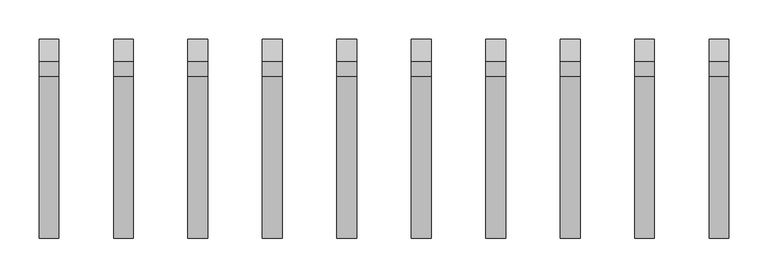
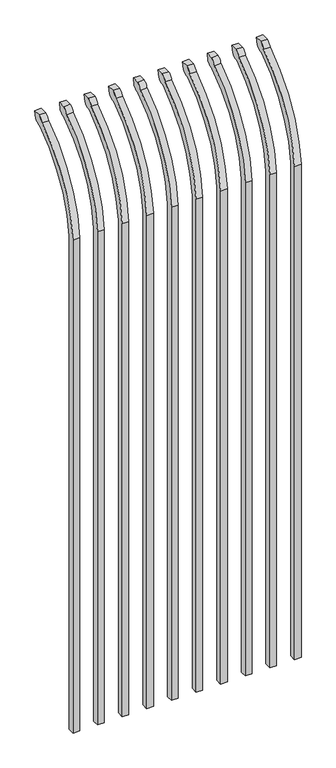
"""IFC4 building model written with IfcOpenShell, lengths in millimetres: railing geometry."""

from ifc_helpers import new_model, si_unit, point, frame, origin, place, context, project, spatial, polyline, circle_curve, ellipse_curve, trimmed, source, transform, mapped, element, save
from ifc_brep_helpers import plane_surface, cylinder_surface, revolved_surface, extruded_surface, advanced_brep


def railing_fbece020(model_context):
    return source(origin(), model_context, "Body", "AdvancedBrep", [
        advanced_brep(
        [(26128.4350064, 11905.619541, 50.8), (26128.4350064, 11905.619541, 2063.9226889), (26128.4350064, 12102.7326851, 2396.1022378), (26128.4350064, 12129.2407099, 2410.7867549), (26128.4350064, 12135.1100864, 2438.4), (26128.4350064, 12106.8799449, 2438.4), (26128.4350064, 12087.4931591, 2417.4682561), (26128.4350064, 11880.219541, 2063.9226889), (26128.4350064, 11880.219541, 50.8), (26103.0350064, 11905.619541, 50.8), (26103.0350064, 11905.619541, 2063.9226889), (26103.0350064, 11880.219541, 2063.9226889), (26103.0350064, 11880.219541, 50.8), (26103.0350064, 12087.4931591, 2417.4682561), (26103.0350064, 12106.8799449, 2438.4), (26103.0350064, 12135.1100864, 2438.4), (26103.0350064, 12129.2407099, 2410.7867549), (26103.0350064, 12102.7326851, 2396.1022378)],
        [
            (0, 1),
            (1, 2, circle_curve(frame((26128.4350064, 12342.9874207, 2028.9640776), z_axis=(-1.0, 0.0, 0.0), x_axis=(0.0, 1.0, 0.0)), 438.7627681)),
            (2, 3, ellipse_curve(frame((26128.4350064, 12110.5579376, 2418.5180619), z_axis=(1.0, 0.0, 0.0), x_axis=(0.0, -0.7771459614569752, -0.6293203910498321)), 26.7460194, 19.05)),
            (3, 4),
            (4, 5),
            (5, 6, ellipse_curve(frame((26128.4350064, 12110.5579376, 2418.5180619), z_axis=(1.0, 0.0, 0.0), x_axis=(0.0, -0.7771459614569761, -0.6293203910498311)), 26.7460194, 19.05)),
            (6, 7, circle_curve(frame((26128.4350064, 12342.0333244, 2030.7065933), z_axis=(1.0, 0.0, 0.0), x_axis=(0.0, 1.0, 0.0)), 463.0067812)),
            (7, 8),
            (8, 0),
            (0, 9),
            (9, 10),
            (10, 1),
            (7, 11),
            (11, 12),
            (12, 8),
            (12, 9),
            (11, 13, circle_curve(frame((26103.0350064, 12342.0333244, 2030.7065933), z_axis=(-1.0, 0.0, 0.0), x_axis=(0.0, 1.0, 0.0)), 463.0067812)),
            (13, 14, ellipse_curve(frame((26103.0350064, 12110.5579376, 2418.5180619), z_axis=(-1.0, 0.0, 0.0), x_axis=(0.0, -0.7771459614569761, -0.6293203910498311)), 26.7460194, 19.05)),
            (14, 15),
            (15, 16),
            (16, 17, ellipse_curve(frame((26103.0350064, 12110.5579376, 2418.5180619), z_axis=(-1.0, 0.0, 0.0), x_axis=(0.0, -0.7771459614569752, -0.6293203910498321)), 26.7460194, 19.05)),
            (17, 10, circle_curve(frame((26103.0350064, 12342.9874207, 2028.9640776), z_axis=(1.0, 0.0, 0.0), x_axis=(0.0, 1.0, 0.0)), 438.7627681)),
            (17, 2),
            (16, 3),
            (15, 4),
            (14, 5),
            (13, 6),
        ],
        [
            plane_surface(frame((26128.4350064, 11905.619541, 50.8), z_axis=(1.0, 0.0, 0.0), x_axis=(0.0, 0.0, 1.0))),
            plane_surface(frame((26128.4350064, 11905.619541, 50.8), z_axis=(0.0, 1.0, 0.0), x_axis=(-1.0, 0.0, 0.0))),
            plane_surface(frame((26128.4350064, 11880.219541, 2063.9226889), z_axis=(0.0, -1.0, 0.0), x_axis=(-1.0, 0.0, 0.0))),
            plane_surface(frame((26128.4350064, 11880.219541, 50.8), z_axis=(0.0, 0.0, -1.0), x_axis=(-1.0, 0.0, 0.0))),
            plane_surface(frame((26103.0350064, 11905.619541, 50.8), z_axis=(-1.0, 0.0, 0.0), x_axis=(0.0, 0.0, -1.0))),
            revolved_surface(polyline([(26103.0350064, 12781.750188799999, 2028.9640776), (26128.4350064, 12781.750188799999, 2028.9640776)]), (26103.0350064, 12342.9874207, 2028.9640776), (-1.0, 0.0, 0.0)),
            extruded_surface(trimmed(ellipse_curve(frame((26077.6350064, 12110.5579376, 2418.5180619), z_axis=(1.0, 0.0, 0.0), x_axis=(0.0, -0.7771459614569752, -0.6293203910498321)), 26.7460194, 19.05), [point((26077.6350064, 12102.7326851, 2396.1022378))], [point((26077.6350064, 12129.2407099, 2410.7867549))], True, "CARTESIAN"), (25.400000000001455, 0.0, 0.0), 25.400000000001455),
            plane_surface(frame((26128.4350064, 12129.2407099, 2410.7867549), z_axis=(0.0, 0.9781476007338008, -0.20791169081778224), x_axis=(-1.0, 0.0, 0.0))),
            plane_surface(frame((26128.4350064, 12135.1100864, 2438.4), z_axis=(0.0, 0.0, 1.0), x_axis=(-1.0, 0.0, 0.0))),
            extruded_surface(trimmed(ellipse_curve(frame((26077.6350064, 12110.5579376, 2418.5180619), z_axis=(1.0, 0.0, 0.0), x_axis=(0.0, -0.7771459614569761, -0.6293203910498311)), 26.7460194, 19.05), [point((26077.6350064, 12106.8799449, 2438.4))], [point((26077.6350064, 12087.4931591, 2417.4682561))], True, "CARTESIAN"), (25.400000000001455, 0.0, 0.0), 25.400000000001455),
            cylinder_surface(frame((26103.0350064, 12342.0333244, 2030.7065933), z_axis=(1.0, 0.0, 0.0), x_axis=(0.0, 1.0, 0.0)), 463.0067812),
        ],
        [
            (0, [[1, 2, 3, 4, 5, 6, 7, 8, 9]]),
            (1, [[-1, 10, 11, 12]]),
            (2, [[-8, 13, 14, 15]]),
            (3, [[-9, -15, 16, -10]]),
            (4, [[-16, -14, 17, 18, 19, 20, 21, 22, -11]]),
            (5, [[-2, -12, -22, 23]]),
            (6, [[-3, -23, -21, 24]]),
            (7, [[-4, -24, -20, 25]]),
            (8, [[-5, -25, -19, 26]]),
            (9, [[-6, -26, -18, 27]]),
            (10, [[-7, -27, -17, -13]]),
        ],
    ),
        advanced_brep(
        [(26033.1850064, 11905.619541, 50.8), (26033.1850064, 11905.619541, 2063.9226889), (26033.1850064, 12102.7326851, 2396.1022378), (26033.1850064, 12129.2407099, 2410.7867549), (26033.1850064, 12135.1100864, 2438.4), (26033.1850064, 12106.8799449, 2438.4), (26033.1850064, 12087.4931591, 2417.4682561), (26033.1850064, 11880.219541, 2063.9226889), (26033.1850064, 11880.219541, 50.8), (26007.7850064, 11905.619541, 50.8), (26007.7850064, 11905.619541, 2063.9226889), (26007.7850064, 11880.219541, 2063.9226889), (26007.7850064, 11880.219541, 50.8), (26007.7850064, 12087.4931591, 2417.4682561), (26007.7850064, 12106.8799449, 2438.4), (26007.7850064, 12135.1100864, 2438.4), (26007.7850064, 12129.2407099, 2410.7867549), (26007.7850064, 12102.7326851, 2396.1022378)],
        [
            (0, 1),
            (1, 2, circle_curve(frame((26033.1850064, 12342.9874207, 2028.9640776), z_axis=(-1.0, 0.0, 0.0), x_axis=(0.0, 1.0, 0.0)), 438.7627681)),
            (2, 3, ellipse_curve(frame((26033.1850064, 12110.5579376, 2418.5180619), z_axis=(1.0, 0.0, 0.0), x_axis=(0.0, -0.7771459614569752, -0.6293203910498321)), 26.7460194, 19.05)),
            (3, 4),
            (4, 5),
            (5, 6, ellipse_curve(frame((26033.1850064, 12110.5579376, 2418.5180619), z_axis=(1.0, 0.0, 0.0), x_axis=(0.0, -0.7771459614569761, -0.6293203910498311)), 26.7460194, 19.05)),
            (6, 7, circle_curve(frame((26033.1850064, 12342.0333244, 2030.7065933), z_axis=(1.0, 0.0, 0.0), x_axis=(0.0, 1.0, 0.0)), 463.0067812)),
            (7, 8),
            (8, 0),
            (0, 9),
            (9, 10),
            (10, 1),
            (7, 11),
            (11, 12),
            (12, 8),
            (12, 9),
            (11, 13, circle_curve(frame((26007.7850064, 12342.0333244, 2030.7065933), z_axis=(-1.0, 0.0, 0.0), x_axis=(0.0, 1.0, 0.0)), 463.0067812)),
            (13, 14, ellipse_curve(frame((26007.7850064, 12110.5579376, 2418.5180619), z_axis=(-1.0, 0.0, 0.0), x_axis=(0.0, -0.7771459614569761, -0.6293203910498311)), 26.7460194, 19.05)),
            (14, 15),
            (15, 16),
            (16, 17, ellipse_curve(frame((26007.7850064, 12110.5579376, 2418.5180619), z_axis=(-1.0, 0.0, 0.0), x_axis=(0.0, -0.7771459614569752, -0.6293203910498321)), 26.7460194, 19.05)),
            (17, 10, circle_curve(frame((26007.7850064, 12342.9874207, 2028.9640776), z_axis=(1.0, 0.0, 0.0), x_axis=(0.0, 1.0, 0.0)), 438.7627681)),
            (17, 2),
            (16, 3),
            (15, 4),
            (14, 5),
            (13, 6),
        ],
        [
            plane_surface(frame((26033.1850064, 11905.619541, 50.8), z_axis=(1.0, 0.0, 0.0), x_axis=(0.0, 0.0, 1.0))),
            plane_surface(frame((26033.1850064, 11905.619541, 50.8), z_axis=(0.0, 1.0, 0.0), x_axis=(-1.0, 0.0, 0.0))),
            plane_surface(frame((26033.1850064, 11880.219541, 2063.9226889), z_axis=(0.0, -1.0, 0.0), x_axis=(-1.0, 0.0, 0.0))),
            plane_surface(frame((26033.1850064, 11880.219541, 50.8), z_axis=(0.0, 0.0, -1.0), x_axis=(-1.0, 0.0, 0.0))),
            plane_surface(frame((26007.7850064, 11905.619541, 50.8), z_axis=(-1.0, 0.0, 0.0), x_axis=(0.0, 0.0, -1.0))),
            revolved_surface(polyline([(26007.7850064, 12781.750188799999, 2028.9640776), (26033.1850064, 12781.750188799999, 2028.9640776)]), (26007.7850064, 12342.9874207, 2028.9640776), (-1.0, 0.0, 0.0)),
            extruded_surface(trimmed(ellipse_curve(frame((25982.3850064, 12110.5579376, 2418.5180619), z_axis=(1.0, 0.0, 0.0), x_axis=(0.0, -0.7771459614569752, -0.6293203910498321)), 26.7460194, 19.05), [point((25982.3850064, 12102.7326851, 2396.1022378))], [point((25982.3850064, 12129.2407099, 2410.7867549))], True, "CARTESIAN"), (25.400000000001455, 0.0, 0.0), 25.400000000001455),
            plane_surface(frame((26033.1850064, 12129.2407099, 2410.7867549), z_axis=(0.0, 0.9781476007338008, -0.20791169081778224), x_axis=(-1.0, 0.0, 0.0))),
            plane_surface(frame((26033.1850064, 12135.1100864, 2438.4), z_axis=(0.0, 0.0, 1.0), x_axis=(-1.0, 0.0, 0.0))),
            extruded_surface(trimmed(ellipse_curve(frame((25982.3850064, 12110.5579376, 2418.5180619), z_axis=(1.0, 0.0, 0.0), x_axis=(0.0, -0.7771459614569761, -0.6293203910498311)), 26.7460194, 19.05), [point((25982.3850064, 12106.8799449, 2438.4))], [point((25982.3850064, 12087.4931591, 2417.4682561))], True, "CARTESIAN"), (25.400000000001455, 0.0, 0.0), 25.400000000001455),
            cylinder_surface(frame((26007.7850064, 12342.0333244, 2030.7065933), z_axis=(1.0, 0.0, 0.0), x_axis=(0.0, 1.0, 0.0)), 463.0067812),
        ],
        [
            (0, [[1, 2, 3, 4, 5, 6, 7, 8, 9]]),
            (1, [[-1, 10, 11, 12]]),
            (2, [[-8, 13, 14, 15]]),
            (3, [[-9, -15, 16, -10]]),
            (4, [[-16, -14, 17, 18, 19, 20, 21, 22, -11]]),
            (5, [[-2, -12, -22, 23]]),
            (6, [[-3, -23, -21, 24]]),
            (7, [[-4, -24, -20, 25]]),
            (8, [[-5, -25, -19, 26]]),
            (9, [[-6, -26, -18, 27]]),
            (10, [[-7, -27, -17, -13]]),
        ],
    ),
        advanced_brep(
        [(25937.9350064, 11905.619541, 50.8), (25937.9350064, 11905.619541, 2063.9226889), (25937.9350064, 12102.7326851, 2396.1022378), (25937.9350064, 12129.2407099, 2410.7867549), (25937.9350064, 12135.1100864, 2438.4), (25937.9350064, 12106.8799449, 2438.4), (25937.9350064, 12087.4931591, 2417.4682561), (25937.9350064, 11880.219541, 2063.9226889), (25937.9350064, 11880.219541, 50.8), (25912.5350064, 11905.619541, 50.8), (25912.5350064, 11905.619541, 2063.9226889), (25912.5350064, 11880.219541, 2063.9226889), (25912.5350064, 11880.219541, 50.8), (25912.5350064, 12087.4931591, 2417.4682561), (25912.5350064, 12106.8799449, 2438.4), (25912.5350064, 12135.1100864, 2438.4), (25912.5350064, 12129.2407099, 2410.7867549), (25912.5350064, 12102.7326851, 2396.1022378)],
        [
            (0, 1),
            (1, 2, circle_curve(frame((25937.9350064, 12342.9874207, 2028.9640776), z_axis=(-1.0, 0.0, 0.0), x_axis=(0.0, 1.0, 0.0)), 438.7627681)),
            (2, 3, ellipse_curve(frame((25937.9350064, 12110.5579376, 2418.5180619), z_axis=(1.0, 0.0, 0.0), x_axis=(0.0, -0.7771459614569752, -0.6293203910498321)), 26.7460194, 19.05)),
            (3, 4),
            (4, 5),
            (5, 6, ellipse_curve(frame((25937.9350064, 12110.5579376, 2418.5180619), z_axis=(1.0, 0.0, 0.0), x_axis=(0.0, -0.7771459614569761, -0.6293203910498311)), 26.7460194, 19.05)),
            (6, 7, circle_curve(frame((25937.9350064, 12342.0333244, 2030.7065933), z_axis=(1.0, 0.0, 0.0), x_axis=(0.0, 1.0, 0.0)), 463.0067812)),
            (7, 8),
            (8, 0),
            (0, 9),
            (9, 10),
            (10, 1),
            (7, 11),
            (11, 12),
            (12, 8),
            (12, 9),
            (11, 13, circle_curve(frame((25912.5350064, 12342.0333244, 2030.7065933), z_axis=(-1.0, 0.0, 0.0), x_axis=(0.0, 1.0, 0.0)), 463.0067812)),
            (13, 14, ellipse_curve(frame((25912.5350064, 12110.5579376, 2418.5180619), z_axis=(-1.0, 0.0, 0.0), x_axis=(0.0, -0.7771459614569761, -0.6293203910498311)), 26.7460194, 19.05)),
            (14, 15),
            (15, 16),
            (16, 17, ellipse_curve(frame((25912.5350064, 12110.5579376, 2418.5180619), z_axis=(-1.0, 0.0, 0.0), x_axis=(0.0, -0.7771459614569752, -0.6293203910498321)), 26.7460194, 19.05)),
            (17, 10, circle_curve(frame((25912.5350064, 12342.9874207, 2028.9640776), z_axis=(1.0, 0.0, 0.0), x_axis=(0.0, 1.0, 0.0)), 438.7627681)),
            (17, 2),
            (16, 3),
            (15, 4),
            (14, 5),
            (13, 6),
        ],
        [
            plane_surface(frame((25937.9350064, 11905.619541, 50.8), z_axis=(1.0, 0.0, 0.0), x_axis=(0.0, 0.0, 1.0))),
            plane_surface(frame((25937.9350064, 11905.619541, 50.8), z_axis=(0.0, 1.0, 0.0), x_axis=(-1.0, 0.0, 0.0))),
            plane_surface(frame((25937.9350064, 11880.219541, 2063.9226889), z_axis=(0.0, -1.0, 0.0), x_axis=(-1.0, 0.0, 0.0))),
            plane_surface(frame((25937.9350064, 11880.219541, 50.8), z_axis=(0.0, 0.0, -1.0), x_axis=(-1.0, 0.0, 0.0))),
            plane_surface(frame((25912.5350064, 11905.619541, 50.8), z_axis=(-1.0, 0.0, 0.0), x_axis=(0.0, 0.0, -1.0))),
            revolved_surface(polyline([(25912.5350064, 12781.750188799999, 2028.9640776), (25937.9350064, 12781.750188799999, 2028.9640776)]), (25912.5350064, 12342.9874207, 2028.9640776), (-1.0, 0.0, 0.0)),
            extruded_surface(trimmed(ellipse_curve(frame((25887.1350064, 12110.5579376, 2418.5180619), z_axis=(1.0, 0.0, 0.0), x_axis=(0.0, -0.7771459614569752, -0.6293203910498321)), 26.7460194, 19.05), [point((25887.1350064, 12102.7326851, 2396.1022378))], [point((25887.1350064, 12129.2407099, 2410.7867549))], True, "CARTESIAN"), (25.400000000001455, 0.0, 0.0), 25.400000000001455),
            plane_surface(frame((25937.9350064, 12129.2407099, 2410.7867549), z_axis=(0.0, 0.9781476007338008, -0.20791169081778224), x_axis=(-1.0, 0.0, 0.0))),
            plane_surface(frame((25937.9350064, 12135.1100864, 2438.4), z_axis=(0.0, 0.0, 1.0), x_axis=(-1.0, 0.0, 0.0))),
            extruded_surface(trimmed(ellipse_curve(frame((25887.1350064, 12110.5579376, 2418.5180619), z_axis=(1.0, 0.0, 0.0), x_axis=(0.0, -0.7771459614569761, -0.6293203910498311)), 26.7460194, 19.05), [point((25887.1350064, 12106.8799449, 2438.4))], [point((25887.1350064, 12087.4931591, 2417.4682561))], True, "CARTESIAN"), (25.400000000001455, 0.0, 0.0), 25.400000000001455),
            cylinder_surface(frame((25912.5350064, 12342.0333244, 2030.7065933), z_axis=(1.0, 0.0, 0.0), x_axis=(0.0, 1.0, 0.0)), 463.0067812),
        ],
        [
            (0, [[1, 2, 3, 4, 5, 6, 7, 8, 9]]),
            (1, [[-1, 10, 11, 12]]),
            (2, [[-8, 13, 14, 15]]),
            (3, [[-9, -15, 16, -10]]),
            (4, [[-16, -14, 17, 18, 19, 20, 21, 22, -11]]),
            (5, [[-2, -12, -22, 23]]),
            (6, [[-3, -23, -21, 24]]),
            (7, [[-4, -24, -20, 25]]),
            (8, [[-5, -25, -19, 26]]),
            (9, [[-6, -26, -18, 27]]),
            (10, [[-7, -27, -17, -13]]),
        ],
    ),
        advanced_brep(
        [(25842.6850064, 11905.619541, 50.8), (25842.6850064, 11905.619541, 2063.9226889), (25842.6850064, 12102.7326851, 2396.1022378), (25842.6850064, 12129.2407099, 2410.7867549), (25842.6850064, 12135.1100864, 2438.4), (25842.6850064, 12106.8799449, 2438.4), (25842.6850064, 12087.4931591, 2417.4682561), (25842.6850064, 11880.219541, 2063.9226889), (25842.6850064, 11880.219541, 50.8), (25817.2850064, 11905.619541, 50.8), (25817.2850064, 11905.619541, 2063.9226889), (25817.2850064, 11880.219541, 2063.9226889), (25817.2850064, 11880.219541, 50.8), (25817.2850064, 12087.4931591, 2417.4682561), (25817.2850064, 12106.8799449, 2438.4), (25817.2850064, 12135.1100864, 2438.4), (25817.2850064, 12129.2407099, 2410.7867549), (25817.2850064, 12102.7326851, 2396.1022378)],
        [
            (0, 1),
            (1, 2, circle_curve(frame((25842.6850064, 12342.9874207, 2028.9640776), z_axis=(-1.0, 0.0, 0.0), x_axis=(0.0, 1.0, 0.0)), 438.7627681)),
            (2, 3, ellipse_curve(frame((25842.6850064, 12110.5579376, 2418.5180619), z_axis=(1.0, 0.0, 0.0), x_axis=(0.0, -0.7771459614569752, -0.6293203910498321)), 26.7460194, 19.05)),
            (3, 4),
            (4, 5),
            (5, 6, ellipse_curve(frame((25842.6850064, 12110.5579376, 2418.5180619), z_axis=(1.0, 0.0, 0.0), x_axis=(0.0, -0.7771459614569761, -0.6293203910498311)), 26.7460194, 19.05)),
            (6, 7, circle_curve(frame((25842.6850064, 12342.0333244, 2030.7065933), z_axis=(1.0, 0.0, 0.0), x_axis=(0.0, 1.0, 0.0)), 463.0067812)),
            (7, 8),
            (8, 0),
            (0, 9),
            (9, 10),
            (10, 1),
            (7, 11),
            (11, 12),
            (12, 8),
            (12, 9),
            (11, 13, circle_curve(frame((25817.2850064, 12342.0333244, 2030.7065933), z_axis=(-1.0, 0.0, 0.0), x_axis=(0.0, 1.0, 0.0)), 463.0067812)),
            (13, 14, ellipse_curve(frame((25817.2850064, 12110.5579376, 2418.5180619), z_axis=(-1.0, 0.0, 0.0), x_axis=(0.0, -0.7771459614569761, -0.6293203910498311)), 26.7460194, 19.05)),
            (14, 15),
            (15, 16),
            (16, 17, ellipse_curve(frame((25817.2850064, 12110.5579376, 2418.5180619), z_axis=(-1.0, 0.0, 0.0), x_axis=(0.0, -0.7771459614569752, -0.6293203910498321)), 26.7460194, 19.05)),
            (17, 10, circle_curve(frame((25817.2850064, 12342.9874207, 2028.9640776), z_axis=(1.0, 0.0, 0.0), x_axis=(0.0, 1.0, 0.0)), 438.7627681)),
            (17, 2),
            (16, 3),
            (15, 4),
            (14, 5),
            (13, 6),
        ],
        [
            plane_surface(frame((25842.6850064, 11905.619541, 50.8), z_axis=(1.0, 0.0, 0.0), x_axis=(0.0, 0.0, 1.0))),
            plane_surface(frame((25842.6850064, 11905.619541, 50.8), z_axis=(0.0, 1.0, 0.0), x_axis=(-1.0, 0.0, 0.0))),
            plane_surface(frame((25842.6850064, 11880.219541, 2063.9226889), z_axis=(0.0, -1.0, 0.0), x_axis=(-1.0, 0.0, 0.0))),
            plane_surface(frame((25842.6850064, 11880.219541, 50.8), z_axis=(0.0, 0.0, -1.0), x_axis=(-1.0, 0.0, 0.0))),
            plane_surface(frame((25817.2850064, 11905.619541, 50.8), z_axis=(-1.0, 0.0, 0.0), x_axis=(0.0, 0.0, -1.0))),
            revolved_surface(polyline([(25817.2850064, 12781.750188799999, 2028.9640776), (25842.6850064, 12781.750188799999, 2028.9640776)]), (25817.2850064, 12342.9874207, 2028.9640776), (-1.0, 0.0, 0.0)),
            extruded_surface(trimmed(ellipse_curve(frame((25791.8850064, 12110.5579376, 2418.5180619), z_axis=(1.0, 0.0, 0.0), x_axis=(0.0, -0.7771459614569752, -0.6293203910498321)), 26.7460194, 19.05), [point((25791.8850064, 12102.7326851, 2396.1022378))], [point((25791.8850064, 12129.2407099, 2410.7867549))], True, "CARTESIAN"), (25.400000000001455, 0.0, 0.0), 25.400000000001455),
            plane_surface(frame((25842.6850064, 12129.2407099, 2410.7867549), z_axis=(0.0, 0.9781476007338008, -0.20791169081778224), x_axis=(-1.0, 0.0, 0.0))),
            plane_surface(frame((25842.6850064, 12135.1100864, 2438.4), z_axis=(0.0, 0.0, 1.0), x_axis=(-1.0, 0.0, 0.0))),
            extruded_surface(trimmed(ellipse_curve(frame((25791.8850064, 12110.5579376, 2418.5180619), z_axis=(1.0, 0.0, 0.0), x_axis=(0.0, -0.7771459614569761, -0.6293203910498311)), 26.7460194, 19.05), [point((25791.8850064, 12106.8799449, 2438.4))], [point((25791.8850064, 12087.4931591, 2417.4682561))], True, "CARTESIAN"), (25.400000000001455, 0.0, 0.0), 25.400000000001455),
            cylinder_surface(frame((25817.2850064, 12342.0333244, 2030.7065933), z_axis=(1.0, 0.0, 0.0), x_axis=(0.0, 1.0, 0.0)), 463.0067812),
        ],
        [
            (0, [[1, 2, 3, 4, 5, 6, 7, 8, 9]]),
            (1, [[-1, 10, 11, 12]]),
            (2, [[-8, 13, 14, 15]]),
            (3, [[-9, -15, 16, -10]]),
            (4, [[-16, -14, 17, 18, 19, 20, 21, 22, -11]]),
            (5, [[-2, -12, -22, 23]]),
            (6, [[-3, -23, -21, 24]]),
            (7, [[-4, -24, -20, 25]]),
            (8, [[-5, -25, -19, 26]]),
            (9, [[-6, -26, -18, 27]]),
            (10, [[-7, -27, -17, -13]]),
        ],
    ),
        advanced_brep(
        [(25747.4350064, 11905.619541, 50.8), (25747.4350064, 11905.619541, 2063.9226889), (25747.4350064, 12102.7326851, 2396.1022378), (25747.4350064, 12129.2407099, 2410.7867549), (25747.4350064, 12135.1100864, 2438.4), (25747.4350064, 12106.8799449, 2438.4), (25747.4350064, 12087.4931591, 2417.4682561), (25747.4350064, 11880.219541, 2063.9226889), (25747.4350064, 11880.219541, 50.8), (25722.0350064, 11905.619541, 50.8), (25722.0350064, 11905.619541, 2063.9226889), (25722.0350064, 11880.219541, 2063.9226889), (25722.0350064, 11880.219541, 50.8), (25722.0350064, 12087.4931591, 2417.4682561), (25722.0350064, 12106.8799449, 2438.4), (25722.0350064, 12135.1100864, 2438.4), (25722.0350064, 12129.2407099, 2410.7867549), (25722.0350064, 12102.7326851, 2396.1022378)],
        [
            (0, 1),
            (1, 2, circle_curve(frame((25747.4350064, 12342.9874207, 2028.9640776), z_axis=(-1.0, 0.0, 0.0), x_axis=(0.0, 1.0, 0.0)), 438.7627681)),
            (2, 3, ellipse_curve(frame((25747.4350064, 12110.5579376, 2418.5180619), z_axis=(1.0, 0.0, 0.0), x_axis=(0.0, -0.7771459614569752, -0.6293203910498321)), 26.7460194, 19.05)),
            (3, 4),
            (4, 5),
            (5, 6, ellipse_curve(frame((25747.4350064, 12110.5579376, 2418.5180619), z_axis=(1.0, 0.0, 0.0), x_axis=(0.0, -0.7771459614569761, -0.6293203910498311)), 26.7460194, 19.05)),
            (6, 7, circle_curve(frame((25747.4350064, 12342.0333244, 2030.7065933), z_axis=(1.0, 0.0, 0.0), x_axis=(0.0, 1.0, 0.0)), 463.0067812)),
            (7, 8),
            (8, 0),
            (0, 9),
            (9, 10),
            (10, 1),
            (7, 11),
            (11, 12),
            (12, 8),
            (12, 9),
            (11, 13, circle_curve(frame((25722.0350064, 12342.0333244, 2030.7065933), z_axis=(-1.0, 0.0, 0.0), x_axis=(0.0, 1.0, 0.0)), 463.0067812)),
            (13, 14, ellipse_curve(frame((25722.0350064, 12110.5579376, 2418.5180619), z_axis=(-1.0, 0.0, 0.0), x_axis=(0.0, -0.7771459614569761, -0.6293203910498311)), 26.7460194, 19.05)),
            (14, 15),
            (15, 16),
            (16, 17, ellipse_curve(frame((25722.0350064, 12110.5579376, 2418.5180619), z_axis=(-1.0, 0.0, 0.0), x_axis=(0.0, -0.7771459614569752, -0.6293203910498321)), 26.7460194, 19.05)),
            (17, 10, circle_curve(frame((25722.0350064, 12342.9874207, 2028.9640776), z_axis=(1.0, 0.0, 0.0), x_axis=(0.0, 1.0, 0.0)), 438.7627681)),
            (17, 2),
            (16, 3),
            (15, 4),
            (14, 5),
            (13, 6),
        ],
        [
            plane_surface(frame((25747.4350064, 11905.619541, 50.8), z_axis=(1.0, 0.0, 0.0), x_axis=(0.0, 0.0, 1.0))),
            plane_surface(frame((25747.4350064, 11905.619541, 50.8), z_axis=(0.0, 1.0, 0.0), x_axis=(-1.0, 0.0, 0.0))),
            plane_surface(frame((25747.4350064, 11880.219541, 2063.9226889), z_axis=(0.0, -1.0, 0.0), x_axis=(-1.0, 0.0, 0.0))),
            plane_surface(frame((25747.4350064, 11880.219541, 50.8), z_axis=(0.0, 0.0, -1.0), x_axis=(-1.0, 0.0, 0.0))),
            plane_surface(frame((25722.0350064, 11905.619541, 50.8), z_axis=(-1.0, 0.0, 0.0), x_axis=(0.0, 0.0, -1.0))),
            revolved_surface(polyline([(25722.0350064, 12781.750188799999, 2028.9640776), (25747.4350064, 12781.750188799999, 2028.9640776)]), (25722.0350064, 12342.9874207, 2028.9640776), (-1.0, 0.0, 0.0)),
            extruded_surface(trimmed(ellipse_curve(frame((25696.6350064, 12110.5579376, 2418.5180619), z_axis=(1.0, 0.0, 0.0), x_axis=(0.0, -0.7771459614569752, -0.6293203910498321)), 26.7460194, 19.05), [point((25696.6350064, 12102.7326851, 2396.1022378))], [point((25696.6350064, 12129.2407099, 2410.7867549))], True, "CARTESIAN"), (25.400000000001455, 0.0, 0.0), 25.400000000001455),
            plane_surface(frame((25747.4350064, 12129.2407099, 2410.7867549), z_axis=(0.0, 0.9781476007338008, -0.20791169081778224), x_axis=(-1.0, 0.0, 0.0))),
            plane_surface(frame((25747.4350064, 12135.1100864, 2438.4), z_axis=(0.0, 0.0, 1.0), x_axis=(-1.0, 0.0, 0.0))),
            extruded_surface(trimmed(ellipse_curve(frame((25696.6350064, 12110.5579376, 2418.5180619), z_axis=(1.0, 0.0, 0.0), x_axis=(0.0, -0.7771459614569761, -0.6293203910498311)), 26.7460194, 19.05), [point((25696.6350064, 12106.8799449, 2438.4))], [point((25696.6350064, 12087.4931591, 2417.4682561))], True, "CARTESIAN"), (25.400000000001455, 0.0, 0.0), 25.400000000001455),
            cylinder_surface(frame((25722.0350064, 12342.0333244, 2030.7065933), z_axis=(1.0, 0.0, 0.0), x_axis=(0.0, 1.0, 0.0)), 463.0067812),
        ],
        [
            (0, [[1, 2, 3, 4, 5, 6, 7, 8, 9]]),
            (1, [[-1, 10, 11, 12]]),
            (2, [[-8, 13, 14, 15]]),
            (3, [[-9, -15, 16, -10]]),
            (4, [[-16, -14, 17, 18, 19, 20, 21, 22, -11]]),
            (5, [[-2, -12, -22, 23]]),
            (6, [[-3, -23, -21, 24]]),
            (7, [[-4, -24, -20, 25]]),
            (8, [[-5, -25, -19, 26]]),
            (9, [[-6, -26, -18, 27]]),
            (10, [[-7, -27, -17, -13]]),
        ],
    ),
        advanced_brep(
        [(25652.1850064, 11905.619541, 50.8), (25652.1850064, 11905.619541, 2063.9226889), (25652.1850064, 12102.7326851, 2396.1022378), (25652.1850064, 12129.2407099, 2410.7867549), (25652.1850064, 12135.1100864, 2438.4), (25652.1850064, 12106.8799449, 2438.4), (25652.1850064, 12087.4931591, 2417.4682561), (25652.1850064, 11880.219541, 2063.9226889), (25652.1850064, 11880.219541, 50.8), (25626.7850064, 11905.619541, 50.8), (25626.7850064, 11905.619541, 2063.9226889), (25626.7850064, 11880.219541, 2063.9226889), (25626.7850064, 11880.219541, 50.8), (25626.7850064, 12087.4931591, 2417.4682561), (25626.7850064, 12106.8799449, 2438.4), (25626.7850064, 12135.1100864, 2438.4), (25626.7850064, 12129.2407099, 2410.7867549), (25626.7850064, 12102.7326851, 2396.1022378)],
        [
            (0, 1),
            (1, 2, circle_curve(frame((25652.1850064, 12342.9874207, 2028.9640776), z_axis=(-1.0, 0.0, 0.0), x_axis=(0.0, 1.0, 0.0)), 438.7627681)),
            (2, 3, ellipse_curve(frame((25652.1850064, 12110.5579376, 2418.5180619), z_axis=(1.0, 0.0, 0.0), x_axis=(0.0, -0.7771459614569752, -0.6293203910498321)), 26.7460194, 19.05)),
            (3, 4),
            (4, 5),
            (5, 6, ellipse_curve(frame((25652.1850064, 12110.5579376, 2418.5180619), z_axis=(1.0, 0.0, 0.0), x_axis=(0.0, -0.7771459614569761, -0.6293203910498311)), 26.7460194, 19.05)),
            (6, 7, circle_curve(frame((25652.1850064, 12342.0333244, 2030.7065933), z_axis=(1.0, 0.0, 0.0), x_axis=(0.0, 1.0, 0.0)), 463.0067812)),
            (7, 8),
            (8, 0),
            (0, 9),
            (9, 10),
            (10, 1),
            (7, 11),
            (11, 12),
            (12, 8),
            (12, 9),
            (11, 13, circle_curve(frame((25626.7850064, 12342.0333244, 2030.7065933), z_axis=(-1.0, 0.0, 0.0), x_axis=(0.0, 1.0, 0.0)), 463.0067812)),
            (13, 14, ellipse_curve(frame((25626.7850064, 12110.5579376, 2418.5180619), z_axis=(-1.0, 0.0, 0.0), x_axis=(0.0, -0.7771459614569761, -0.6293203910498311)), 26.7460194, 19.05)),
            (14, 15),
            (15, 16),
            (16, 17, ellipse_curve(frame((25626.7850064, 12110.5579376, 2418.5180619), z_axis=(-1.0, 0.0, 0.0), x_axis=(0.0, -0.7771459614569752, -0.6293203910498321)), 26.7460194, 19.05)),
            (17, 10, circle_curve(frame((25626.7850064, 12342.9874207, 2028.9640776), z_axis=(1.0, 0.0, 0.0), x_axis=(0.0, 1.0, 0.0)), 438.7627681)),
            (17, 2),
            (16, 3),
            (15, 4),
            (14, 5),
            (13, 6),
        ],
        [
            plane_surface(frame((25652.1850064, 11905.619541, 50.8), z_axis=(1.0, 0.0, 0.0), x_axis=(0.0, 0.0, 1.0))),
            plane_surface(frame((25652.1850064, 11905.619541, 50.8), z_axis=(0.0, 1.0, 0.0), x_axis=(-1.0, 0.0, 0.0))),
            plane_surface(frame((25652.1850064, 11880.219541, 2063.9226889), z_axis=(0.0, -1.0, 0.0), x_axis=(-1.0, 0.0, 0.0))),
            plane_surface(frame((25652.1850064, 11880.219541, 50.8), z_axis=(0.0, 0.0, -1.0), x_axis=(-1.0, 0.0, 0.0))),
            plane_surface(frame((25626.7850064, 11905.619541, 50.8), z_axis=(-1.0, 0.0, 0.0), x_axis=(0.0, 0.0, -1.0))),
            revolved_surface(polyline([(25626.7850064, 12781.750188799999, 2028.9640776), (25652.1850064, 12781.750188799999, 2028.9640776)]), (25626.7850064, 12342.9874207, 2028.9640776), (-1.0, 0.0, 0.0)),
            extruded_surface(trimmed(ellipse_curve(frame((25601.3850064, 12110.5579376, 2418.5180619), z_axis=(1.0, 0.0, 0.0), x_axis=(0.0, -0.7771459614569752, -0.6293203910498321)), 26.7460194, 19.05), [point((25601.3850064, 12102.7326851, 2396.1022378))], [point((25601.3850064, 12129.2407099, 2410.7867549))], True, "CARTESIAN"), (25.400000000001455, 0.0, 0.0), 25.400000000001455),
            plane_surface(frame((25652.1850064, 12129.2407099, 2410.7867549), z_axis=(0.0, 0.9781476007338008, -0.20791169081778224), x_axis=(-1.0, 0.0, 0.0))),
            plane_surface(frame((25652.1850064, 12135.1100864, 2438.4), z_axis=(0.0, 0.0, 1.0), x_axis=(-1.0, 0.0, 0.0))),
            extruded_surface(trimmed(ellipse_curve(frame((25601.3850064, 12110.5579376, 2418.5180619), z_axis=(1.0, 0.0, 0.0), x_axis=(0.0, -0.7771459614569761, -0.6293203910498311)), 26.7460194, 19.05), [point((25601.3850064, 12106.8799449, 2438.4))], [point((25601.3850064, 12087.4931591, 2417.4682561))], True, "CARTESIAN"), (25.400000000001455, 0.0, 0.0), 25.400000000001455),
            cylinder_surface(frame((25626.7850064, 12342.0333244, 2030.7065933), z_axis=(1.0, 0.0, 0.0), x_axis=(0.0, 1.0, 0.0)), 463.0067812),
        ],
        [
            (0, [[1, 2, 3, 4, 5, 6, 7, 8, 9]]),
            (1, [[-1, 10, 11, 12]]),
            (2, [[-8, 13, 14, 15]]),
            (3, [[-9, -15, 16, -10]]),
            (4, [[-16, -14, 17, 18, 19, 20, 21, 22, -11]]),
            (5, [[-2, -12, -22, 23]]),
            (6, [[-3, -23, -21, 24]]),
            (7, [[-4, -24, -20, 25]]),
            (8, [[-5, -25, -19, 26]]),
            (9, [[-6, -26, -18, 27]]),
            (10, [[-7, -27, -17, -13]]),
        ],
    ),
        advanced_brep(
        [(25556.9350064, 11905.619541, 50.8), (25556.9350064, 11905.619541, 2063.9226889), (25556.9350064, 12102.7326851, 2396.1022378), (25556.9350064, 12129.2407099, 2410.7867549), (25556.9350064, 12135.1100864, 2438.4), (25556.9350064, 12106.8799449, 2438.4), (25556.9350064, 12087.4931591, 2417.4682561), (25556.9350064, 11880.219541, 2063.9226889), (25556.9350064, 11880.219541, 50.8), (25531.5350064, 11905.619541, 50.8), (25531.5350064, 11905.619541, 2063.9226889), (25531.5350064, 11880.219541, 2063.9226889), (25531.5350064, 11880.219541, 50.8), (25531.5350064, 12087.4931591, 2417.4682561), (25531.5350064, 12106.8799449, 2438.4), (25531.5350064, 12135.1100864, 2438.4), (25531.5350064, 12129.2407099, 2410.7867549), (25531.5350064, 12102.7326851, 2396.1022378)],
        [
            (0, 1),
            (1, 2, circle_curve(frame((25556.9350064, 12342.9874207, 2028.9640776), z_axis=(-1.0, 0.0, 0.0), x_axis=(0.0, 1.0, 0.0)), 438.7627681)),
            (2, 3, ellipse_curve(frame((25556.9350064, 12110.5579376, 2418.5180619), z_axis=(1.0, 0.0, 0.0), x_axis=(0.0, -0.7771459614569752, -0.6293203910498321)), 26.7460194, 19.05)),
            (3, 4),
            (4, 5),
            (5, 6, ellipse_curve(frame((25556.9350064, 12110.5579376, 2418.5180619), z_axis=(1.0, 0.0, 0.0), x_axis=(0.0, -0.7771459614569761, -0.6293203910498311)), 26.7460194, 19.05)),
            (6, 7, circle_curve(frame((25556.9350064, 12342.0333244, 2030.7065933), z_axis=(1.0, 0.0, 0.0), x_axis=(0.0, 1.0, 0.0)), 463.0067812)),
            (7, 8),
            (8, 0),
            (0, 9),
            (9, 10),
            (10, 1),
            (7, 11),
            (11, 12),
            (12, 8),
            (12, 9),
            (11, 13, circle_curve(frame((25531.5350064, 12342.0333244, 2030.7065933), z_axis=(-1.0, 0.0, 0.0), x_axis=(0.0, 1.0, 0.0)), 463.0067812)),
            (13, 14, ellipse_curve(frame((25531.5350064, 12110.5579376, 2418.5180619), z_axis=(-1.0, 0.0, 0.0), x_axis=(0.0, -0.7771459614569761, -0.6293203910498311)), 26.7460194, 19.05)),
            (14, 15),
            (15, 16),
            (16, 17, ellipse_curve(frame((25531.5350064, 12110.5579376, 2418.5180619), z_axis=(-1.0, 0.0, 0.0), x_axis=(0.0, -0.7771459614569752, -0.6293203910498321)), 26.7460194, 19.05)),
            (17, 10, circle_curve(frame((25531.5350064, 12342.9874207, 2028.9640776), z_axis=(1.0, 0.0, 0.0), x_axis=(0.0, 1.0, 0.0)), 438.7627681)),
            (17, 2),
            (16, 3),
            (15, 4),
            (14, 5),
            (13, 6),
        ],
        [
            plane_surface(frame((25556.9350064, 11905.619541, 50.8), z_axis=(1.0, 0.0, 0.0), x_axis=(0.0, 0.0, 1.0))),
            plane_surface(frame((25556.9350064, 11905.619541, 50.8), z_axis=(0.0, 1.0, 0.0), x_axis=(-1.0, 0.0, 0.0))),
            plane_surface(frame((25556.9350064, 11880.219541, 2063.9226889), z_axis=(0.0, -1.0, 0.0), x_axis=(-1.0, 0.0, 0.0))),
            plane_surface(frame((25556.9350064, 11880.219541, 50.8), z_axis=(0.0, 0.0, -1.0), x_axis=(-1.0, 0.0, 0.0))),
            plane_surface(frame((25531.5350064, 11905.619541, 50.8), z_axis=(-1.0, 0.0, 0.0), x_axis=(0.0, 0.0, -1.0))),
            revolved_surface(polyline([(25531.5350064, 12781.750188799999, 2028.9640776), (25556.9350064, 12781.750188799999, 2028.9640776)]), (25531.5350064, 12342.9874207, 2028.9640776), (-1.0, 0.0, 0.0)),
            extruded_surface(trimmed(ellipse_curve(frame((25506.1350064, 12110.5579376, 2418.5180619), z_axis=(1.0, 0.0, 0.0), x_axis=(0.0, -0.7771459614569752, -0.6293203910498321)), 26.7460194, 19.05), [point((25506.1350064, 12102.7326851, 2396.1022378))], [point((25506.1350064, 12129.2407099, 2410.7867549))], True, "CARTESIAN"), (25.400000000001455, 0.0, 0.0), 25.400000000001455),
            plane_surface(frame((25556.9350064, 12129.2407099, 2410.7867549), z_axis=(0.0, 0.9781476007338008, -0.20791169081778224), x_axis=(-1.0, 0.0, 0.0))),
            plane_surface(frame((25556.9350064, 12135.1100864, 2438.4), z_axis=(0.0, 0.0, 1.0), x_axis=(-1.0, 0.0, 0.0))),
            extruded_surface(trimmed(ellipse_curve(frame((25506.1350064, 12110.5579376, 2418.5180619), z_axis=(1.0, 0.0, 0.0), x_axis=(0.0, -0.7771459614569761, -0.6293203910498311)), 26.7460194, 19.05), [point((25506.1350064, 12106.8799449, 2438.4))], [point((25506.1350064, 12087.4931591, 2417.4682561))], True, "CARTESIAN"), (25.400000000001455, 0.0, 0.0), 25.400000000001455),
            cylinder_surface(frame((25531.5350064, 12342.0333244, 2030.7065933), z_axis=(1.0, 0.0, 0.0), x_axis=(0.0, 1.0, 0.0)), 463.0067812),
        ],
        [
            (0, [[1, 2, 3, 4, 5, 6, 7, 8, 9]]),
            (1, [[-1, 10, 11, 12]]),
            (2, [[-8, 13, 14, 15]]),
            (3, [[-9, -15, 16, -10]]),
            (4, [[-16, -14, 17, 18, 19, 20, 21, 22, -11]]),
            (5, [[-2, -12, -22, 23]]),
            (6, [[-3, -23, -21, 24]]),
            (7, [[-4, -24, -20, 25]]),
            (8, [[-5, -25, -19, 26]]),
            (9, [[-6, -26, -18, 27]]),
            (10, [[-7, -27, -17, -13]]),
        ],
    ),
        advanced_brep(
        [(25461.6850064, 11905.619541, 50.8), (25461.6850064, 11905.619541, 2063.9226889), (25461.6850064, 12102.7326851, 2396.1022378), (25461.6850064, 12129.2407099, 2410.7867549), (25461.6850064, 12135.1100864, 2438.4), (25461.6850064, 12106.8799449, 2438.4), (25461.6850064, 12087.4931591, 2417.4682561), (25461.6850064, 11880.219541, 2063.9226889), (25461.6850064, 11880.219541, 50.8), (25436.2850064, 11905.619541, 50.8), (25436.2850064, 11905.619541, 2063.9226889), (25436.2850064, 11880.219541, 2063.9226889), (25436.2850064, 11880.219541, 50.8), (25436.2850064, 12087.4931591, 2417.4682561), (25436.2850064, 12106.8799449, 2438.4), (25436.2850064, 12135.1100864, 2438.4), (25436.2850064, 12129.2407099, 2410.7867549), (25436.2850064, 12102.7326851, 2396.1022378)],
        [
            (0, 1),
            (1, 2, circle_curve(frame((25461.6850064, 12342.9874207, 2028.9640776), z_axis=(-1.0, 0.0, 0.0), x_axis=(0.0, 1.0, 0.0)), 438.7627681)),
            (2, 3, ellipse_curve(frame((25461.6850064, 12110.5579376, 2418.5180619), z_axis=(1.0, 0.0, 0.0), x_axis=(0.0, -0.7771459614569752, -0.6293203910498321)), 26.7460194, 19.05)),
            (3, 4),
            (4, 5),
            (5, 6, ellipse_curve(frame((25461.6850064, 12110.5579376, 2418.5180619), z_axis=(1.0, 0.0, 0.0), x_axis=(0.0, -0.7771459614569761, -0.6293203910498311)), 26.7460194, 19.05)),
            (6, 7, circle_curve(frame((25461.6850064, 12342.0333244, 2030.7065933), z_axis=(1.0, 0.0, 0.0), x_axis=(0.0, 1.0, 0.0)), 463.0067812)),
            (7, 8),
            (8, 0),
            (0, 9),
            (9, 10),
            (10, 1),
            (7, 11),
            (11, 12),
            (12, 8),
            (12, 9),
            (11, 13, circle_curve(frame((25436.2850064, 12342.0333244, 2030.7065933), z_axis=(-1.0, 0.0, 0.0), x_axis=(0.0, 1.0, 0.0)), 463.0067812)),
            (13, 14, ellipse_curve(frame((25436.2850064, 12110.5579376, 2418.5180619), z_axis=(-1.0, 0.0, 0.0), x_axis=(0.0, -0.7771459614569761, -0.6293203910498311)), 26.7460194, 19.05)),
            (14, 15),
            (15, 16),
            (16, 17, ellipse_curve(frame((25436.2850064, 12110.5579376, 2418.5180619), z_axis=(-1.0, 0.0, 0.0), x_axis=(0.0, -0.7771459614569752, -0.6293203910498321)), 26.7460194, 19.05)),
            (17, 10, circle_curve(frame((25436.2850064, 12342.9874207, 2028.9640776), z_axis=(1.0, 0.0, 0.0), x_axis=(0.0, 1.0, 0.0)), 438.7627681)),
            (17, 2),
            (16, 3),
            (15, 4),
            (14, 5),
            (13, 6),
        ],
        [
            plane_surface(frame((25461.6850064, 11905.619541, 50.8), z_axis=(1.0, 0.0, 0.0), x_axis=(0.0, 0.0, 1.0))),
            plane_surface(frame((25461.6850064, 11905.619541, 50.8), z_axis=(0.0, 1.0, 0.0), x_axis=(-1.0, 0.0, 0.0))),
            plane_surface(frame((25461.6850064, 11880.219541, 2063.9226889), z_axis=(0.0, -1.0, 0.0), x_axis=(-1.0, 0.0, 0.0))),
            plane_surface(frame((25461.6850064, 11880.219541, 50.8), z_axis=(0.0, 0.0, -1.0), x_axis=(-1.0, 0.0, 0.0))),
            plane_surface(frame((25436.2850064, 11905.619541, 50.8), z_axis=(-1.0, 0.0, 0.0), x_axis=(0.0, 0.0, -1.0))),
            revolved_surface(polyline([(25436.2850064, 12781.750188799999, 2028.9640776), (25461.6850064, 12781.750188799999, 2028.9640776)]), (25436.2850064, 12342.9874207, 2028.9640776), (-1.0, 0.0, 0.0)),
            extruded_surface(trimmed(ellipse_curve(frame((25410.8850064, 12110.5579376, 2418.5180619), z_axis=(1.0, 0.0, 0.0), x_axis=(0.0, -0.7771459614569752, -0.6293203910498321)), 26.7460194, 19.05), [point((25410.8850064, 12102.7326851, 2396.1022378))], [point((25410.8850064, 12129.2407099, 2410.7867549))], True, "CARTESIAN"), (25.400000000001455, 0.0, 0.0), 25.400000000001455),
            plane_surface(frame((25461.6850064, 12129.2407099, 2410.7867549), z_axis=(0.0, 0.9781476007338008, -0.20791169081778224), x_axis=(-1.0, 0.0, 0.0))),
            plane_surface(frame((25461.6850064, 12135.1100864, 2438.4), z_axis=(0.0, 0.0, 1.0), x_axis=(-1.0, 0.0, 0.0))),
            extruded_surface(trimmed(ellipse_curve(frame((25410.8850064, 12110.5579376, 2418.5180619), z_axis=(1.0, 0.0, 0.0), x_axis=(0.0, -0.7771459614569761, -0.6293203910498311)), 26.7460194, 19.05), [point((25410.8850064, 12106.8799449, 2438.4))], [point((25410.8850064, 12087.4931591, 2417.4682561))], True, "CARTESIAN"), (25.400000000001455, 0.0, 0.0), 25.400000000001455),
            cylinder_surface(frame((25436.2850064, 12342.0333244, 2030.7065933), z_axis=(1.0, 0.0, 0.0), x_axis=(0.0, 1.0, 0.0)), 463.0067812),
        ],
        [
            (0, [[1, 2, 3, 4, 5, 6, 7, 8, 9]]),
            (1, [[-1, 10, 11, 12]]),
            (2, [[-8, 13, 14, 15]]),
            (3, [[-9, -15, 16, -10]]),
            (4, [[-16, -14, 17, 18, 19, 20, 21, 22, -11]]),
            (5, [[-2, -12, -22, 23]]),
            (6, [[-3, -23, -21, 24]]),
            (7, [[-4, -24, -20, 25]]),
            (8, [[-5, -25, -19, 26]]),
            (9, [[-6, -26, -18, 27]]),
            (10, [[-7, -27, -17, -13]]),
        ],
    ),
        advanced_brep(
        [(25366.4350064, 11905.619541, 50.8), (25366.4350064, 11905.619541, 2063.9226889), (25366.4350064, 12102.7326851, 2396.1022378), (25366.4350064, 12129.2407099, 2410.7867549), (25366.4350064, 12135.1100864, 2438.4), (25366.4350064, 12106.8799449, 2438.4), (25366.4350064, 12087.4931591, 2417.4682561), (25366.4350064, 11880.219541, 2063.9226889), (25366.4350064, 11880.219541, 50.8), (25341.0350064, 11905.619541, 50.8), (25341.0350064, 11905.619541, 2063.9226889), (25341.0350064, 11880.219541, 2063.9226889), (25341.0350064, 11880.219541, 50.8), (25341.0350064, 12087.4931591, 2417.4682561), (25341.0350064, 12106.8799449, 2438.4), (25341.0350064, 12135.1100864, 2438.4), (25341.0350064, 12129.2407099, 2410.7867549), (25341.0350064, 12102.7326851, 2396.1022378)],
        [
            (0, 1),
            (1, 2, circle_curve(frame((25366.4350064, 12342.9874207, 2028.9640776), z_axis=(-1.0, 0.0, 0.0), x_axis=(0.0, 1.0, 0.0)), 438.7627681)),
            (2, 3, ellipse_curve(frame((25366.4350064, 12110.5579376, 2418.5180619), z_axis=(1.0, 0.0, 0.0), x_axis=(0.0, -0.7771459614569752, -0.6293203910498321)), 26.7460194, 19.05)),
            (3, 4),
            (4, 5),
            (5, 6, ellipse_curve(frame((25366.4350064, 12110.5579376, 2418.5180619), z_axis=(1.0, 0.0, 0.0), x_axis=(0.0, -0.7771459614569761, -0.6293203910498311)), 26.7460194, 19.05)),
            (6, 7, circle_curve(frame((25366.4350064, 12342.0333244, 2030.7065933), z_axis=(1.0, 0.0, 0.0), x_axis=(0.0, 1.0, 0.0)), 463.0067812)),
            (7, 8),
            (8, 0),
            (0, 9),
            (9, 10),
            (10, 1),
            (7, 11),
            (11, 12),
            (12, 8),
            (12, 9),
            (11, 13, circle_curve(frame((25341.0350064, 12342.0333244, 2030.7065933), z_axis=(-1.0, 0.0, 0.0), x_axis=(0.0, 1.0, 0.0)), 463.0067812)),
            (13, 14, ellipse_curve(frame((25341.0350064, 12110.5579376, 2418.5180619), z_axis=(-1.0, 0.0, 0.0), x_axis=(0.0, -0.7771459614569761, -0.6293203910498311)), 26.7460194, 19.05)),
            (14, 15),
            (15, 16),
            (16, 17, ellipse_curve(frame((25341.0350064, 12110.5579376, 2418.5180619), z_axis=(-1.0, 0.0, 0.0), x_axis=(0.0, -0.7771459614569752, -0.6293203910498321)), 26.7460194, 19.05)),
            (17, 10, circle_curve(frame((25341.0350064, 12342.9874207, 2028.9640776), z_axis=(1.0, 0.0, 0.0), x_axis=(0.0, 1.0, 0.0)), 438.7627681)),
            (17, 2),
            (16, 3),
            (15, 4),
            (14, 5),
            (13, 6),
        ],
        [
            plane_surface(frame((25366.4350064, 11905.619541, 50.8), z_axis=(1.0, 0.0, 0.0), x_axis=(0.0, 0.0, 1.0))),
            plane_surface(frame((25366.4350064, 11905.619541, 50.8), z_axis=(0.0, 1.0, 0.0), x_axis=(-1.0, 0.0, 0.0))),
            plane_surface(frame((25366.4350064, 11880.219541, 2063.9226889), z_axis=(0.0, -1.0, 0.0), x_axis=(-1.0, 0.0, 0.0))),
            plane_surface(frame((25366.4350064, 11880.219541, 50.8), z_axis=(0.0, 0.0, -1.0), x_axis=(-1.0, 0.0, 0.0))),
            plane_surface(frame((25341.0350064, 11905.619541, 50.8), z_axis=(-1.0, 0.0, 0.0), x_axis=(0.0, 0.0, -1.0))),
            revolved_surface(polyline([(25341.0350064, 12781.750188799999, 2028.9640776), (25366.4350064, 12781.750188799999, 2028.9640776)]), (25341.0350064, 12342.9874207, 2028.9640776), (-1.0, 0.0, 0.0)),
            extruded_surface(trimmed(ellipse_curve(frame((25315.6350064, 12110.5579376, 2418.5180619), z_axis=(1.0, 0.0, 0.0), x_axis=(0.0, -0.7771459614569752, -0.6293203910498321)), 26.7460194, 19.05), [point((25315.6350064, 12102.7326851, 2396.1022378))], [point((25315.6350064, 12129.2407099, 2410.7867549))], True, "CARTESIAN"), (25.400000000001455, 0.0, 0.0), 25.400000000001455),
            plane_surface(frame((25366.4350064, 12129.2407099, 2410.7867549), z_axis=(0.0, 0.9781476007338008, -0.20791169081778224), x_axis=(-1.0, 0.0, 0.0))),
            plane_surface(frame((25366.4350064, 12135.1100864, 2438.4), z_axis=(0.0, 0.0, 1.0), x_axis=(-1.0, 0.0, 0.0))),
            extruded_surface(trimmed(ellipse_curve(frame((25315.6350064, 12110.5579376, 2418.5180619), z_axis=(1.0, 0.0, 0.0), x_axis=(0.0, -0.7771459614569761, -0.6293203910498311)), 26.7460194, 19.05), [point((25315.6350064, 12106.8799449, 2438.4))], [point((25315.6350064, 12087.4931591, 2417.4682561))], True, "CARTESIAN"), (25.400000000001455, 0.0, 0.0), 25.400000000001455),
            cylinder_surface(frame((25341.0350064, 12342.0333244, 2030.7065933), z_axis=(1.0, 0.0, 0.0), x_axis=(0.0, 1.0, 0.0)), 463.0067812),
        ],
        [
            (0, [[1, 2, 3, 4, 5, 6, 7, 8, 9]]),
            (1, [[-1, 10, 11, 12]]),
            (2, [[-8, 13, 14, 15]]),
            (3, [[-9, -15, 16, -10]]),
            (4, [[-16, -14, 17, 18, 19, 20, 21, 22, -11]]),
            (5, [[-2, -12, -22, 23]]),
            (6, [[-3, -23, -21, 24]]),
            (7, [[-4, -24, -20, 25]]),
            (8, [[-5, -25, -19, 26]]),
            (9, [[-6, -26, -18, 27]]),
            (10, [[-7, -27, -17, -13]]),
        ],
    ),
        advanced_brep(
        [(25271.1850064, 11905.619541, 50.8), (25271.1850064, 11905.619541, 2063.9226889), (25271.1850064, 12102.7326851, 2396.1022378), (25271.1850064, 12129.2407099, 2410.7867549), (25271.1850064, 12135.1100864, 2438.4), (25271.1850064, 12106.8799449, 2438.4), (25271.1850064, 12087.4931591, 2417.4682561), (25271.1850064, 11880.219541, 2063.9226889), (25271.1850064, 11880.219541, 50.8), (25245.7850064, 11905.619541, 50.8), (25245.7850064, 11905.619541, 2063.9226889), (25245.7850064, 11880.219541, 2063.9226889), (25245.7850064, 11880.219541, 50.8), (25245.7850064, 12087.4931591, 2417.4682561), (25245.7850064, 12106.8799449, 2438.4), (25245.7850064, 12135.1100864, 2438.4), (25245.7850064, 12129.2407099, 2410.7867549), (25245.7850064, 12102.7326851, 2396.1022378)],
        [
            (0, 1),
            (1, 2, circle_curve(frame((25271.1850064, 12342.9874207, 2028.9640776), z_axis=(-1.0, 0.0, 0.0), x_axis=(0.0, 1.0, 0.0)), 438.7627681)),
            (2, 3, ellipse_curve(frame((25271.1850064, 12110.5579376, 2418.5180619), z_axis=(1.0, 0.0, 0.0), x_axis=(0.0, -0.7771459614569752, -0.6293203910498321)), 26.7460194, 19.05)),
            (3, 4),
            (4, 5),
            (5, 6, ellipse_curve(frame((25271.1850064, 12110.5579376, 2418.5180619), z_axis=(1.0, 0.0, 0.0), x_axis=(0.0, -0.7771459614569761, -0.6293203910498311)), 26.7460194, 19.05)),
            (6, 7, circle_curve(frame((25271.1850064, 12342.0333244, 2030.7065933), z_axis=(1.0, 0.0, 0.0), x_axis=(0.0, 1.0, 0.0)), 463.0067812)),
            (7, 8),
            (8, 0),
            (0, 9),
            (9, 10),
            (10, 1),
            (7, 11),
            (11, 12),
            (12, 8),
            (12, 9),
            (11, 13, circle_curve(frame((25245.7850064, 12342.0333244, 2030.7065933), z_axis=(-1.0, 0.0, 0.0), x_axis=(0.0, 1.0, 0.0)), 463.0067812)),
            (13, 14, ellipse_curve(frame((25245.7850064, 12110.5579376, 2418.5180619), z_axis=(-1.0, 0.0, 0.0), x_axis=(0.0, -0.7771459614569761, -0.6293203910498311)), 26.7460194, 19.05)),
            (14, 15),
            (15, 16),
            (16, 17, ellipse_curve(frame((25245.7850064, 12110.5579376, 2418.5180619), z_axis=(-1.0, 0.0, 0.0), x_axis=(0.0, -0.7771459614569752, -0.6293203910498321)), 26.7460194, 19.05)),
            (17, 10, circle_curve(frame((25245.7850064, 12342.9874207, 2028.9640776), z_axis=(1.0, 0.0, 0.0), x_axis=(0.0, 1.0, 0.0)), 438.7627681)),
            (17, 2),
            (16, 3),
            (15, 4),
            (14, 5),
            (13, 6),
        ],
        [
            plane_surface(frame((25271.1850064, 11905.619541, 50.8), z_axis=(1.0, 0.0, 0.0), x_axis=(0.0, 0.0, 1.0))),
            plane_surface(frame((25271.1850064, 11905.619541, 50.8), z_axis=(0.0, 1.0, 0.0), x_axis=(-1.0, 0.0, 0.0))),
            plane_surface(frame((25271.1850064, 11880.219541, 2063.9226889), z_axis=(0.0, -1.0, 0.0), x_axis=(-1.0, 0.0, 0.0))),
            plane_surface(frame((25271.1850064, 11880.219541, 50.8), z_axis=(0.0, 0.0, -1.0), x_axis=(-1.0, 0.0, 0.0))),
            plane_surface(frame((25245.7850064, 11905.619541, 50.8), z_axis=(-1.0, 0.0, 0.0), x_axis=(0.0, 0.0, -1.0))),
            revolved_surface(polyline([(25245.7850064, 12781.750188799999, 2028.9640776), (25271.1850064, 12781.750188799999, 2028.9640776)]), (25245.7850064, 12342.9874207, 2028.9640776), (-1.0, 0.0, 0.0)),
            extruded_surface(trimmed(ellipse_curve(frame((25220.3850064, 12110.5579376, 2418.5180619), z_axis=(1.0, 0.0, 0.0), x_axis=(0.0, -0.7771459614569752, -0.6293203910498321)), 26.7460194, 19.05), [point((25220.3850064, 12102.7326851, 2396.1022378))], [point((25220.3850064, 12129.2407099, 2410.7867549))], True, "CARTESIAN"), (25.400000000001455, 0.0, 0.0), 25.400000000001455),
            plane_surface(frame((25271.1850064, 12129.2407099, 2410.7867549), z_axis=(0.0, 0.9781476007338008, -0.20791169081778224), x_axis=(-1.0, 0.0, 0.0))),
            plane_surface(frame((25271.1850064, 12135.1100864, 2438.4), z_axis=(0.0, 0.0, 1.0), x_axis=(-1.0, 0.0, 0.0))),
            extruded_surface(trimmed(ellipse_curve(frame((25220.3850064, 12110.5579376, 2418.5180619), z_axis=(1.0, 0.0, 0.0), x_axis=(0.0, -0.7771459614569761, -0.6293203910498311)), 26.7460194, 19.05), [point((25220.3850064, 12106.8799449, 2438.4))], [point((25220.3850064, 12087.4931591, 2417.4682561))], True, "CARTESIAN"), (25.400000000001455, 0.0, 0.0), 25.400000000001455),
            cylinder_surface(frame((25245.7850064, 12342.0333244, 2030.7065933), z_axis=(1.0, 0.0, 0.0), x_axis=(0.0, 1.0, 0.0)), 463.0067812),
        ],
        [
            (0, [[1, 2, 3, 4, 5, 6, 7, 8, 9]]),
            (1, [[-1, 10, 11, 12]]),
            (2, [[-8, 13, 14, 15]]),
            (3, [[-9, -15, 16, -10]]),
            (4, [[-16, -14, 17, 18, 19, 20, 21, 22, -11]]),
            (5, [[-2, -12, -22, 23]]),
            (6, [[-3, -23, -21, 24]]),
            (7, [[-4, -24, -20, 25]]),
            (8, [[-5, -25, -19, 26]]),
            (9, [[-6, -26, -18, 27]]),
            (10, [[-7, -27, -17, -13]]),
        ],
    ),
    ])


if __name__ == "__main__":
    model = new_model("IFC4")
    model_context = context("Model", 3, world=origin())
    ifc_project = project(units=[si_unit("LENGTHUNIT", "METRE", prefix="MILLI")], contexts=[model_context])
    site = spatial("IfcSite", under=ifc_project)
    building = spatial("IfcBuilding", under=site)
    placement = place(None, origin())
    railing_shape = railing_fbece020(model_context)
    element("IfcRailing", 1, at=placement, inside=building, context=model_context, shape_type="MappedRepresentation", body=[
        mapped(railing_shape, transform((0.0, 0.0, 0.0), x_axis=(1.0, 0.0, 0.0), y_axis=(0.0, 1.0, 0.0), z_axis=(0.0, 0.0, 1.0))),
    ])
    save(model, "model.ifc")
